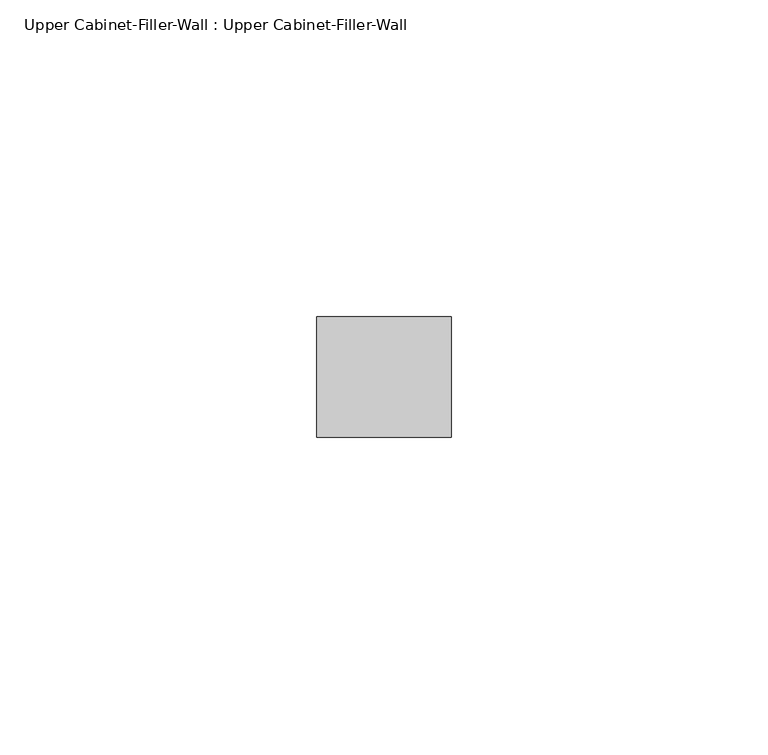
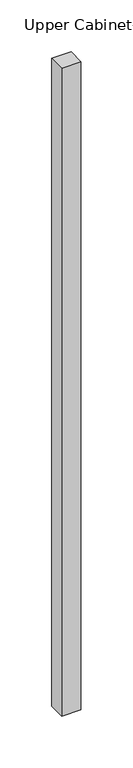
"""IFC4 building model written with IfcOpenShell, lengths in millimetres: furniture geometry, Upper Cabinet-Filler-Wall : Upper Cabinet-Filler-Wall."""

from ifc_helpers import new_model, si_unit, frame, origin, place, context, project, spatial, polyline, outline, extrude, source, transform, mapped, element, save


def upper_cabinet_filler_wall_upper_cabinet_filler_wall_39081f4d(model_context):
    return source(origin(), model_context, "Body", "SweptSolid", [
        extrude(outline(polyline([(19.119437, 347.6625), (19.119437, 366.7125), (40.4228885, 366.7125), (40.4228885, 347.6625), (19.119437, 347.6625)])), frame((0.0, 0.0, 1371.6), z_axis=(0.0, 0.0, 1.0), x_axis=(1.0, 0.0, 0.0)), (0.0, 0.0, 1.0), 762.0),
    ])


if __name__ == "__main__":
    model = new_model("IFC4")
    model_context = context("Model", 3, world=origin())
    ifc_project = project(units=[si_unit("LENGTHUNIT", "METRE", prefix="MILLI")], contexts=[model_context])
    site = spatial("IfcSite", under=ifc_project)
    building = spatial("IfcBuilding", under=site)
    placement = place(None, origin())
    upper_cabinet_filler_wall_upper_cabinet_filler_wall_shape = upper_cabinet_filler_wall_upper_cabinet_filler_wall_39081f4d(model_context)
    element("IfcFurniture", 1, ObjectType="Upper Cabinet-Filler-Wall : Upper Cabinet-Filler-Wall", at=placement, inside=building, context=model_context, shape_type="MappedRepresentation", body=[
        mapped(upper_cabinet_filler_wall_upper_cabinet_filler_wall_shape, transform((0.0, 0.0, 0.0), x_axis=(1.0, 0.0, 0.0), y_axis=(0.0, 1.0, 0.0), z_axis=(0.0, 0.0, 1.0))),
    ])
    save(model, "model.ifc")
